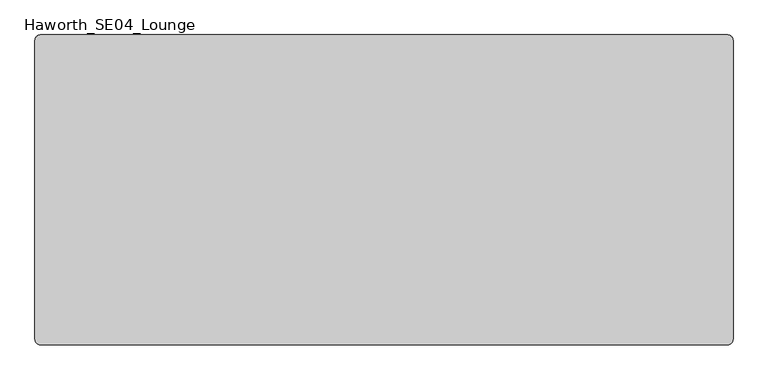
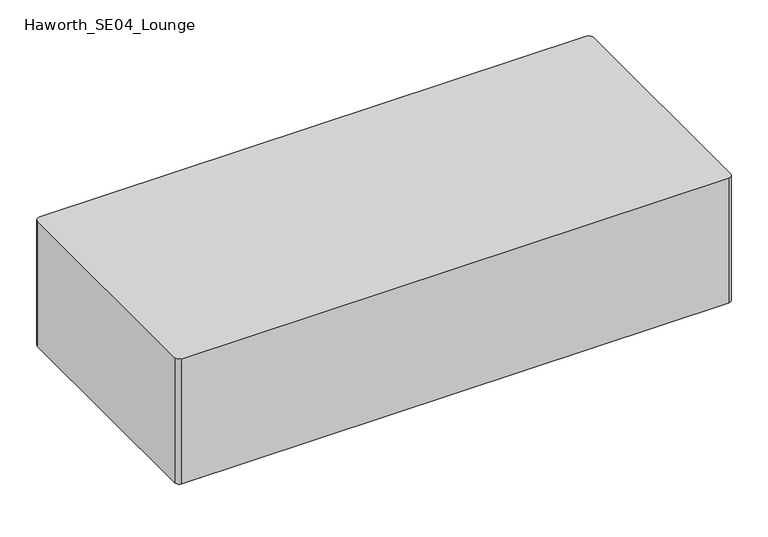
"""IFC4 building model written with IfcOpenShell, lengths in millimetres: furniture geometry, Haworth_SE04_Lounge."""

from ifc_helpers import new_model, si_unit, point, frame, frame_2d, origin, origin_with_axes, place, context, project, spatial, polyline, circle_curve, trimmed, segment, composite_curve, outline, extrude, source, transform, mapped, element, save


def haworth_se04_lounge_e6594859(model_context):
    return source(origin(), model_context, "Body", "SweptSolid", [
        extrude(outline(composite_curve([segment(trimmed(circle_curve(frame_2d((0.0, 254.0)), 38.1), [point((-38.1, 254.0))], [point((38.1, 254.0))], False, "CARTESIAN"), True, "CONTINUOUS"), segment(trimmed(circle_curve(frame_2d((0.0, 254.0)), 38.1), [point((38.1, 254.0))], [point((-38.1, 254.0))], False, "CARTESIAN"), True, "CONTINUOUS")], self_intersect=False)), origin_with_axes(), (0.0, 0.0, 1.0), 50.8),
        extrude(outline(composite_curve([segment(trimmed(circle_curve(frame_2d((0.0, -254.0)), 38.1), [point((-38.1, -254.0))], [point((38.1, -254.0))], False, "CARTESIAN"), True, "CONTINUOUS"), segment(trimmed(circle_curve(frame_2d((0.0, -254.0)), 38.1), [point((38.1, -254.0))], [point((-38.1, -254.0))], False, "CARTESIAN"), True, "CONTINUOUS")], self_intersect=False)), origin_with_axes(), (0.0, 0.0, 1.0), 50.8),
        extrude(outline(composite_curve([segment(trimmed(circle_curve(frame_2d((-698.5, 254.0)), 34.925), [point((-733.425, 254.0))], [point((-663.575, 254.0))], False, "CARTESIAN"), True, "CONTINUOUS"), segment(trimmed(circle_curve(frame_2d((-698.5, 254.0)), 34.925), [point((-663.575, 254.0))], [point((-733.425, 254.0))], False, "CARTESIAN"), True, "CONTINUOUS")], self_intersect=False)), origin_with_axes(), (0.0, 0.0, 1.0), 50.8),
        extrude(outline(composite_curve([segment(trimmed(circle_curve(frame_2d((698.5, 254.0)), 38.1), [point((660.4, 254.0))], [point((736.6, 254.0))], False, "CARTESIAN"), True, "CONTINUOUS"), segment(trimmed(circle_curve(frame_2d((698.5, 254.0)), 38.1), [point((736.6, 254.0))], [point((660.4, 254.0))], False, "CARTESIAN"), True, "CONTINUOUS")], self_intersect=False)), origin_with_axes(), (0.0, 0.0, 1.0), 50.8),
        extrude(outline(composite_curve([segment(trimmed(circle_curve(frame_2d((698.5, -254.0)), 38.1), [point((660.4, -254.0))], [point((736.6, -254.0))], False, "CARTESIAN"), True, "CONTINUOUS"), segment(trimmed(circle_curve(frame_2d((698.5, -254.0)), 38.1), [point((736.6, -254.0))], [point((660.4, -254.0))], False, "CARTESIAN"), True, "CONTINUOUS")], self_intersect=False)), origin_with_axes(), (0.0, 0.0, 1.0), 50.8),
        extrude(outline(composite_curve([segment(trimmed(circle_curve(frame_2d((-698.5, -254.0)), 38.1), [point((-736.6, -254.0))], [point((-660.4, -254.0))], False, "CARTESIAN"), True, "CONTINUOUS"), segment(trimmed(circle_curve(frame_2d((-698.5, -254.0)), 38.1), [point((-660.4, -254.0))], [point((-736.6, -254.0))], False, "CARTESIAN"), True, "CONTINUOUS")], self_intersect=False)), origin_with_axes(), (0.0, 0.0, 1.0), 50.8),
        extrude(outline(composite_curve([segment(trimmed(circle_curve(frame_2d((787.4, 342.9)), 12.7), [point((787.4, 355.6))], [point((800.1, 342.9))], False, "CARTESIAN"), True, "CONTINUOUS"), segment(polyline([(800.1, 342.9), (800.1, -342.9)]), True, "CONTINUOUS"), segment(trimmed(circle_curve(frame_2d((787.4, -342.9)), 12.7), [point((800.1, -342.9))], [point((787.4, -355.6))], False, "CARTESIAN"), True, "CONTINUOUS"), segment(polyline([(787.4, -355.6), (-787.4, -355.6)]), True, "CONTINUOUS"), segment(trimmed(circle_curve(frame_2d((-787.4, -342.9)), 12.7), [point((-787.4, -355.6))], [point((-800.1, -342.9))], False, "CARTESIAN"), True, "CONTINUOUS"), segment(polyline([(-800.1, -342.9), (-800.1, 342.9)]), True, "CONTINUOUS"), segment(trimmed(circle_curve(frame_2d((-787.4, 342.9)), 12.7), [point((-800.1, 342.9))], [point((-787.4, 355.6))], False, "CARTESIAN"), True, "CONTINUOUS"), segment(polyline([(-787.4, 355.6), (787.4, 355.6)]), True, "CONTINUOUS")], self_intersect=False)), frame((0.0, 0.0, 50.8), z_axis=(0.0, 0.0, 1.0), x_axis=(1.0, 0.0, 0.0)), (0.0, 0.0, 1.0), 381.0),
    ])


if __name__ == "__main__":
    model = new_model("IFC4")
    model_context = context("Model", 3, world=origin())
    ifc_project = project(units=[si_unit("LENGTHUNIT", "METRE", prefix="MILLI")], contexts=[model_context])
    site = spatial("IfcSite", under=ifc_project)
    building = spatial("IfcBuilding", under=site)
    placement = place(None, origin())
    haworth_se04_lounge_shape = haworth_se04_lounge_e6594859(model_context)
    element("IfcFurniture", 1, ObjectType="Haworth_SE04_Lounge", at=placement, inside=building, context=model_context, shape_type="MappedRepresentation", body=[
        mapped(haworth_se04_lounge_shape, transform((0.0, 0.0, 0.0), x_axis=(1.0, 0.0, 0.0), y_axis=(0.0, 1.0, 0.0), z_axis=(0.0, 0.0, 1.0))),
    ])
    save(model, "model.ifc")
